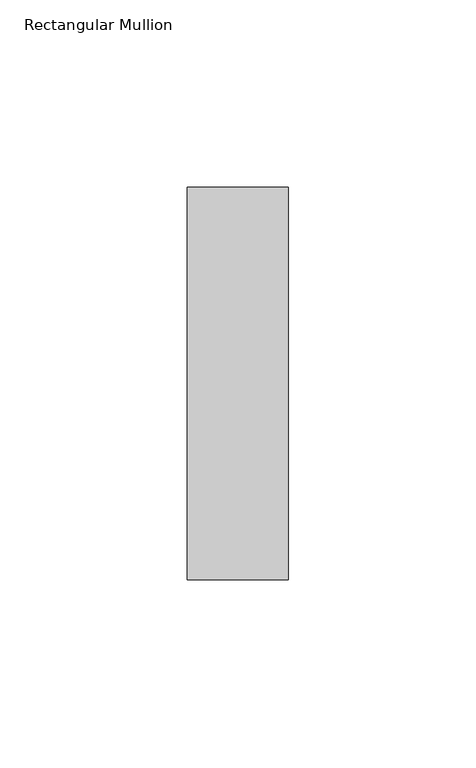
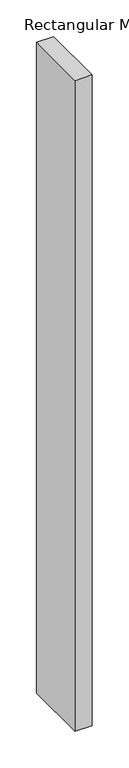
"""IFC4 building model written with IfcOpenShell, lengths in millimetres: member geometry, Rectangular Mullion."""

from ifc_helpers import new_model, si_unit, frame, origin, place, context, project, spatial, polyline, outline, extrude, source, transform, mapped, element, save


def rectangular_mullion_e14fcf1e(model_context):
    return source(origin(), model_context, "Body", "SweptSolid", [
        extrude(outline(polyline([(0.0, 52.3975), (0.0, -52.3975), (-27.0, -52.3975), (-27.0, 52.3975), (0.0, 52.3975)])), frame((0.0, 0.0, -1082.0), z_axis=(0.0, 0.0, 1.0), x_axis=(1.0, 0.0, 0.0)), (0.0, 0.0, 1.0), 1082.0),
    ])


if __name__ == "__main__":
    model = new_model("IFC4")
    model_context = context("Model", 3, world=origin())
    ifc_project = project(units=[si_unit("LENGTHUNIT", "METRE", prefix="MILLI")], contexts=[model_context])
    site = spatial("IfcSite", under=ifc_project)
    building = spatial("IfcBuilding", under=site)
    placement = place(None, origin())
    rectangular_mullion_shape = rectangular_mullion_e14fcf1e(model_context)
    element("IfcMember", 1, ObjectType="Rectangular Mullion", at=placement, inside=building, context=model_context, shape_type="MappedRepresentation", body=[
        mapped(rectangular_mullion_shape, transform((0.0, 0.0, 0.0), x_axis=(1.0, 0.0, 0.0), y_axis=(0.0, 1.0, 0.0), z_axis=(0.0, 0.0, 1.0))),
    ])
    save(model, "model.ifc")
